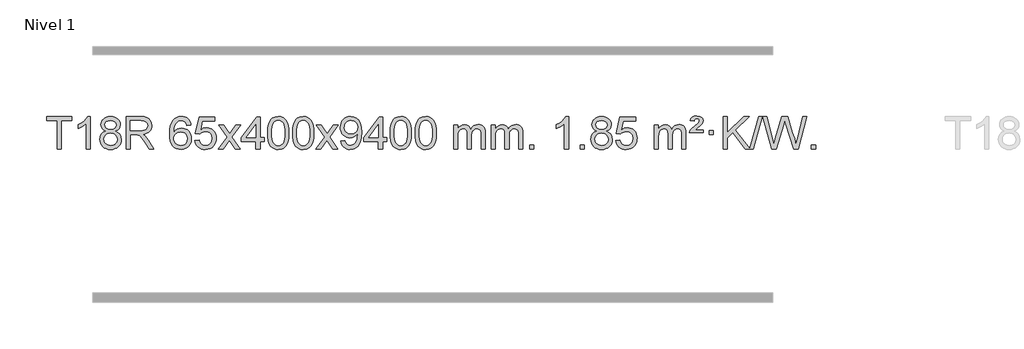
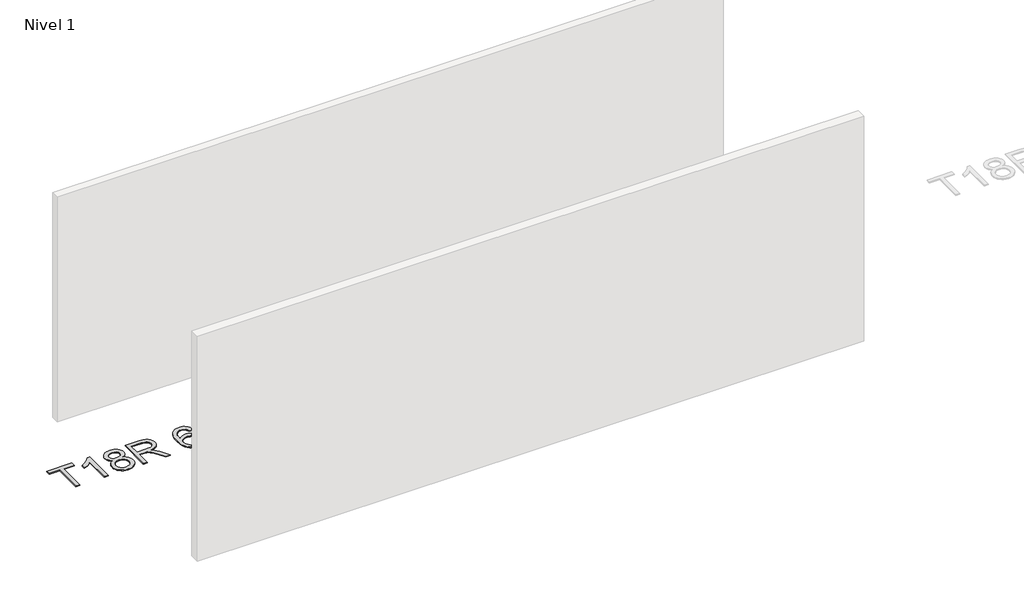
# One storey, part 2 of 7: 1 proxy.
"""IFC4 building model written with IfcOpenShell, lengths in millimetres."""

from ifc_helpers import new_model, si_unit, origin, origin_with_axes, place, context, project, spatial, polyline, outline, extrude, element, save

model = new_model("IFC4")

# Units and contexts
model_context = context("Model", 3, world=origin())
ifc_project = project(units=[si_unit("LENGTHUNIT", "METRE", prefix="MILLI")], contexts=[model_context])

# Site, building, storey
site = spatial("IfcSite", under=ifc_project)
building = spatial("IfcBuilding", under=site)
storey = spatial("IfcBuildingStorey", under=building, Name="Nivel 1", Elevation=0.0)

# Proxy
placement = place(None, origin())
element("IfcBuildingElementProxy", 1, Name="Texto de modelo 1", ObjectType="Texto de modelo 1", at=placement, inside=storey, context=model_context, shape_type="SweptSolid", body=[
    extrude(outline(polyline([(-26017.2438234, 5712.420547), (-26017.2438234, 6064.0176325), (-26149.0927304, 6064.0176325), (-26149.0927304, 6114.2457876), (-25835.1667612, 6114.2457876), (-25835.1667612, 6064.0176325), (-25967.0156683, 6064.0176325), (-25967.0156683, 5712.420547), (-26017.2438234, 5712.420547)])), origin_with_axes(), (0.0, 0.0, 1.0), 10.0),
    extrude(outline(polyline([(-25609.1400634, 5712.420547), (-25659.3682185, 5712.420547), (-25659.3682185, 6025.5617013), (-25680.3374922, 6008.6023413), (-25706.9476232, 5991.6675068), (-25759.8245286, 5966.3081746), (-25759.8245286, 6013.7894775), (-25720.375316, 6035.2492605), (-25686.1990786, 6060.780271), (-25659.2578539, 6087.9299622), (-25641.513679, 6114.2457876), (-25609.1400634, 6114.2457876), (-25609.1400634, 5712.420547)])), origin_with_axes(), (0.0, 0.0, 1.0), 10.0),
    extrude(outline(polyline([(-25416.6642035, 5933.7383553), (-25443.5563773, 5946.9821071), (-25462.4287237, 5964.9347485), (-25473.5755482, 5987.2283974), (-25477.2911563, 6013.4951719), (-25475.2678053, 6033.9800676), (-25469.1977524, 6052.7604435), (-25459.0809975, 6069.8362994), (-25444.9175407, 6085.2076355), (-25427.3879637, 6097.911827), (-25407.172848, 6106.9862496), (-25384.2721938, 6112.4309031), (-25358.6860011, 6114.2457876), (-25332.977181, 6112.3879835), (-25309.9048485, 6106.8145713), (-25289.4690037, 6097.5255509), (-25271.6696465, 6084.5209224), (-25257.2486723, 6068.8491494), (-25246.9479764, 6051.5586956), (-25240.7675589, 6032.6495611), (-25238.7074197, 6012.1217457), (-25242.3739769, 5986.7010999), (-25253.3736486, 5964.7875957), (-25271.829062, 5946.9453189), (-25297.8628445, 5933.7383553), (-25266.9484942, 5917.8090649), (-25244.4463788, 5894.3504564), (-25230.7243804, 5864.4907011), (-25226.1503809, 5829.3579705), (-25228.4189866, 5804.3052067), (-25235.2248035, 5781.3371074), (-25246.5678317, 5760.4536728), (-25262.4480711, 5741.6549029), (-25282.031656, 5726.11802), (-25304.4847204, 5715.0202464), (-25329.8072644, 5708.3615823), (-25357.999288, 5706.1420276), (-25386.1913116, 5708.3707794), (-25411.5138556, 5715.0570346), (-25433.96692, 5726.2007934), (-25453.5505049, 5741.8020557), (-25469.4307443, 5760.73265), (-25480.7737725, 5781.864405), (-25487.5795894, 5805.1973205), (-25489.8481951, 5830.7313967), (-25485.0902546, 5867.2252906), (-25470.8164332, 5897.2444614), (-25447.7624948, 5919.7588395), (-25416.6642035, 5933.7383553)]), holes=[polyline([(-25427.0630012, 6012.0236439), (-25422.6116291, 5990.097877), (-25409.2575127, 5972.586694), (-25387.3930594, 5961.1087757), (-25357.4106768, 5957.282803), (-25328.12727, 5961.0842503), (-25306.5939105, 5972.4885921), (-25293.3501587, 5989.4111639), (-25288.9355748, 6009.767301), (-25293.4973115, 6030.8959902), (-25307.1825217, 6048.370385), (-25329.0101868, 6060.1058206), (-25357.999288, 6064.0176325), (-25387.1723302, 6060.1916598), (-25408.9632071, 6048.7137415), (-25422.5380527, 6031.8892716), (-25427.0630012, 6012.0236439)]), polyline([(-25439.62004, 5832.4972302), (-25437.5231126, 5813.2815274), (-25431.2323305, 5794.6789611), (-25419.6195222, 5778.4553651), (-25401.5565162, 5766.376573), (-25379.9250549, 5758.8717803), (-25357.6068805, 5756.3701827), (-25323.4183805, 5761.6308952), (-25309.5247038, 5768.2067859), (-25297.7647427, 5777.4130328), (-25281.7250877, 5801.3130998), (-25276.378536, 5830.9276004), (-25281.8967659, 5861.0448731), (-25298.4514557, 5885.4722375), (-25310.5302479, 5894.9145421), (-25324.6937047, 5901.6590453), (-25359.2746123, 5907.0546479), (-25392.9848657, 5901.7326217), (-25406.7221926, 5895.080089), (-25418.3809861, 5885.7665431), (-25434.3102765, 5861.8051625), (-25439.62004, 5832.4972302)])]), origin_with_axes(), (0.0, 0.0, 1.0), 10.0),
    extrude(outline(polyline([(-25163.3651871, 5712.420547), (-25163.3651871, 6114.2457876), (-24990.2153947, 6114.2457876), (-24943.6783223, 6111.5357236), (-24909.820916, 6103.4055315), (-24885.0747205, 6088.3959461), (-24865.8712803, 6065.0477021), (-24853.5472335, 6036.0953891), (-24849.4392179, 6004.2735965), (-24851.1406721, 5983.6354166), (-24856.2450348, 5964.6894938), (-24864.7523059, 5947.4358283), (-24876.6624855, 5931.8744199), (-24892.1288577, 5918.5019093), (-24911.3047067, 5907.8149374), (-24934.1900325, 5899.813504), (-24960.7848351, 5894.4976092), (-24932.2371923, 5873.0133006), (-24891.5249181, 5821.3136176), (-24824.5213441, 5712.420547), (-24882.891954, 5712.420547), (-24935.1802482, 5795.7090307), (-24972.9494664, 5850.8422791), (-24986.9902959, 5866.9187222), (-24999.486021, 5876.8883243), (-25023.3738252, 5886.4532562), (-25052.5100792, 5888.2190898), (-25113.137032, 5888.2190898), (-25113.137032, 5712.420547), (-25163.3651871, 5712.420547)]), holes=[polyline([(-25113.137032, 5938.4472448), (-25000.7122943, 5938.4472448), (-24968.4245178, 5940.2253412), (-24943.371754, 5945.5596301), (-24924.5116704, 5954.8057309), (-24910.8019347, 5968.3192629), (-24902.4510134, 5984.6654862), (-24899.6673729, 6002.4096611), (-24904.9771364, 6026.910602), (-24920.9064268, 6046.6536024), (-24933.0679924, 6054.2503656), (-24948.3136354, 6059.676625), (-24988.0571537, 6064.0176325), (-25113.137032, 6064.0176325), (-25113.137032, 5938.4472448)])]), origin_with_axes(), (0.0, 0.0, 1.0), 10.0),
    extrude(outline(polyline([(-24365.9932253, 6007.5109581), (-24416.2213804, 6001.2324387), (-24424.3147842, 6026.125787), (-24435.2531422, 6043.1219352), (-24458.0373005, 6058.7937082), (-24485.5793992, 6064.0176325), (-24508.9276431, 6060.9764747), (-24530.902461, 6051.8530012), (-24549.7748073, 6032.6372983), (-24565.1890629, 6006.1865829), (-24575.6001234, 5968.772984), (-24579.4628843, 5916.6686307), (-24559.3152137, 5940.1762902), (-24535.1698921, 5956.7432427), (-24508.3758201, 5966.565692), (-24480.2818984, 5969.8398418), (-24456.1488396, 5967.601893), (-24433.8797161, 5960.8880466), (-24413.4745281, 5949.6983025), (-24394.9332756, 5934.0326609), (-24379.5251513, 5914.8230894), (-24368.5193483, 5893.0015557), (-24361.9158665, 5868.5680599), (-24359.7147059, 5841.5226018), (-24363.8595097, 5805.5560055), (-24376.2939211, 5772.213634), (-24395.9878706, 5743.9357713), (-24421.9112885, 5723.1627013), (-24452.8869525, 5710.397196), (-24487.7376402, 5706.1420276), (-24517.6801689, 5708.9624563), (-24544.7225613, 5717.4237421), (-24568.8648172, 5731.5258853), (-24590.1069367, 5751.2688857), (-24607.4249817, 5777.4866092), (-24619.7950137, 5811.0129217), (-24627.217033, 5851.8478232), (-24629.6910394, 5899.9913136), (-24626.9441872, 5953.9657337), (-24618.7036305, 6000.0306908), (-24604.9693693, 6038.1861851), (-24585.7414037, 6068.4322165), (-24564.9008887, 6088.4756538), (-24540.737173, 6102.7923948), (-24513.2502566, 6111.3824394), (-24482.4401395, 6114.2457876), (-24459.3064934, 6112.4738227), (-24438.3678765, 6107.1579278), (-24419.6242888, 6098.2981031), (-24403.0757304, 6085.8943485), (-24389.169791, 6070.3635969), (-24378.3540603, 6052.1227814), (-24370.6285384, 6031.1719017), (-24365.9932253, 6007.5109581)]), holes=[polyline([(-24579.4628843, 5842.3074168), (-24576.5566166, 5820.0505561), (-24567.8378133, 5798.7992395), (-24554.2997559, 5780.527767), (-24536.9357257, 5767.2104388), (-24515.9787147, 5759.0802467), (-24491.6617148, 5756.3701827), (-24458.5155471, 5761.9865145), (-24444.6004106, 5769.0069292), (-24432.4572391, 5778.8355099), (-24422.6071987, 5791.0737176), (-24415.5714555, 5805.3230135), (-24409.942861, 5839.8548701), (-24415.4978791, 5873.0010379), (-24422.4416518, 5886.6218688), (-24432.1629335, 5898.274531), (-24444.3428932, 5907.6095366), (-24458.6626999, 5914.2773978), (-24493.721854, 5919.6116867), (-24526.8189708, 5914.2773978), (-24554.4959596, 5898.274531), (-24565.4189892, 5886.7751529), (-24573.2211532, 5873.6141746), (-24577.9024515, 5858.7915958), (-24579.4628843, 5842.3074168)])]), origin_with_axes(), (0.0, 0.0, 1.0), 10.0),
    extrude(outline(polyline([(-24315.7650702, 5819.1553765), (-24265.5369151, 5825.4338959), (-24256.3153398, 5795.2798351), (-24240.2266339, 5773.6851619), (-24217.3443738, 5760.6989275), (-24187.7421359, 5756.3701827), (-24168.6122721, 5757.8754332), (-24151.7387513, 5762.3911847), (-24137.1215733, 5769.9174372), (-24124.7607383, 5780.4541906), (-24114.9321577, 5793.480279), (-24107.9117429, 5808.4745359), (-24102.2954111, 5844.3675559), (-24107.5561237, 5878.1636486), (-24114.1320143, 5892.0818507), (-24123.3382613, 5904.0134901), (-24135.2055213, 5913.5845533), (-24149.7644512, 5920.4210271), (-24186.957321, 5925.8902061), (-24211.3233718, 5923.7074396), (-24231.0541094, 5917.1591401), (-24246.8117216, 5907.1282243), (-24259.2583957, 5894.4976092), (-24309.4865508, 5900.7761285), (-24265.5369151, 6107.9672682), (-24070.9028142, 6107.9672682), (-24070.9028142, 6057.7391131), (-24224.9227429, 6057.7391131), (-24246.4070514, 5947.080209), (-24228.6812706, 5959.7844006), (-24210.5262941, 5968.8588231), (-24191.942122, 5974.3034766), (-24172.9287542, 5976.1183612), (-24148.4676672, 5973.8681496), (-24125.9992744, 5967.117515), (-24105.5235756, 5955.8664573), (-24087.0405711, 5940.1149766), (-24071.7397458, 5920.8256973), (-24060.8105848, 5898.961244), (-24054.2530882, 5874.5216168), (-24052.0672561, 5847.5068156), (-24054.0354247, 5821.4852958), (-24059.9399308, 5797.2786606), (-24069.7807741, 5774.8869098), (-24083.5579548, 5754.3100435), (-24104.4291267, 5733.2365366), (-24128.7829148, 5718.1840316), (-24156.6193191, 5709.1525286), (-24187.9383396, 5706.1420276), (-24213.8586919, 5708.0764738), (-24237.2713152, 5713.8798123), (-24258.1762095, 5723.552043), (-24276.573375, 5737.0931662), (-24291.8803317, 5753.8287312), (-24303.5145998, 5773.084288), (-24311.4761793, 5794.8598364), (-24315.7650702, 5819.1553765)])), origin_with_axes(), (0.0, 0.0, 1.0), 10.0),
    extrude(outline(polyline([(-24026.9531785, 5712.420547), (-23919.6297378, 5860.7505675), (-24020.6746591, 6007.5109581), (-23960.2439101, 6007.5109581), (-23911.487283, 5936.877615), (-23888.7276502, 5903.5229808), (-23869.0091753, 5930.7952993), (-23813.4835195, 6007.5109581), (-23753.0527704, 6007.5109581), (-23859.1989887, 5860.7505675), (-23756.976845, 5712.420547), (-23817.4075941, 5712.420547), (-23878.9174637, 5801.5951426), (-23890.1991782, 5817.8800523), (-23966.5224294, 5712.420547), (-24026.9531785, 5712.420547)])), origin_with_axes(), (0.0, 0.0, 1.0), 10.0),
    extrude(outline(polyline([(-23562.3427441, 5712.420547), (-23562.3427441, 5806.5983378), (-23744.4198062, 5806.5983378), (-23744.4198062, 5856.8264928), (-23549.7857053, 6107.9672682), (-23512.114589, 6107.9672682), (-23512.114589, 5856.8264928), (-23461.8864339, 5856.8264928), (-23461.8864339, 5806.5983378), (-23512.114589, 5806.5983378), (-23512.114589, 5712.420547), (-23562.3427441, 5712.420547)]), holes=[polyline([(-23562.3427441, 5856.8264928), (-23562.3427441, 6012.0236439), (-23682.615631, 5856.8264928), (-23562.3427441, 5856.8264928)])]), origin_with_axes(), (0.0, 0.0, 1.0), 10.0),
    extrude(outline(polyline([(-23417.9367982, 5910.0958057), (-23414.2457156, 5974.4138412), (-23403.1724675, 6025.7088541), (-23384.8274187, 6064.7656593), (-23372.9693557, 6079.9990395), (-23359.3209337, 6092.3690716), (-23343.8361674, 6101.9401349), (-23326.4690715, 6108.7766086), (-23286.0878912, 6114.2457876), (-23255.1367526, 6111.008426), (-23227.4229757, 6101.2963414), (-23204.24641, 6085.4896783), (-23186.9069053, 6063.9685816), (-23173.8103062, 6036.9169922), (-23163.3624576, 6004.5188512), (-23156.5198525, 5963.3773814), (-23154.2389841, 5910.0958057), (-23157.8932786, 5846.1456523), (-23168.856162, 5794.9732667), (-23187.0908463, 5755.8796734), (-23198.9213181, 5740.6003078), (-23212.5605431, 5728.1658964), (-23228.0637035, 5718.5304538), (-23245.4859816, 5711.6479948), (-23286.0878912, 5706.1420276), (-23313.7526172, 5708.5332606), (-23338.2780835, 5715.7069595), (-23359.6642902, 5727.6631243), (-23377.9112372, 5744.4017551), (-23395.4224201, 5774.6600492), (-23407.930408, 5812.3618224), (-23415.4352007, 5857.5070745), (-23417.9367982, 5910.0958057)]), holes=[polyline([(-23367.7086432, 5910.1939076), (-23366.2371152, 5866.5293805), (-23361.8225312, 5831.1851178), (-23354.4648913, 5804.1611196), (-23344.1641955, 5785.4573858), (-23331.7052586, 5772.7317344), (-23317.8728956, 5763.6419835), (-23302.6671064, 5758.1881329), (-23286.0878912, 5756.3701827), (-23269.5086759, 5758.1942643), (-23254.3028868, 5763.6665089), (-23240.4705238, 5772.7869167), (-23228.0115869, 5785.5554876), (-23217.710891, 5804.2898783), (-23210.3532511, 5831.3077451), (-23205.9386672, 5866.6090882), (-23204.4671392, 5910.1939076), (-23205.8896162, 5952.7026722), (-23210.1570474, 5987.4246011), (-23217.2694326, 6014.3596945), (-23227.2267719, 6033.5079524), (-23239.4772424, 6046.8559375), (-23253.4690209, 6056.3902125), (-23269.2021076, 6062.1107775), (-23286.6765024, 6064.0176325), (-23303.1698785, 6062.3376381), (-23318.1181502, 6057.2976548), (-23331.5213176, 6048.8976825), (-23343.3793805, 6037.1377214), (-23354.0234329, 6016.291075), (-23361.6263275, 5988.1848906), (-23366.1880643, 5952.8191681), (-23367.7086432, 5910.1939076)])]), origin_with_axes(), (0.0, 0.0, 1.0), 10.0),
    extrude(outline(polyline([(-23110.2893484, 5910.0958057), (-23106.5982657, 5974.4138412), (-23095.5250177, 6025.7088541), (-23077.1799688, 6064.7656593), (-23065.3219059, 6079.9990395), (-23051.6734838, 6092.3690716), (-23036.1887175, 6101.9401349), (-23018.8216217, 6108.7766086), (-22978.4404413, 6114.2457876), (-22947.4893028, 6111.008426), (-22919.7755258, 6101.2963414), (-22896.5989601, 6085.4896783), (-22879.2594554, 6063.9685816), (-22866.1628564, 6036.9169922), (-22855.7150077, 6004.5188512), (-22848.8724026, 5963.3773814), (-22846.5915343, 5910.0958057), (-22850.2458287, 5846.1456523), (-22861.2087122, 5794.9732667), (-22879.4433964, 5755.8796734), (-22891.2738683, 5740.6003078), (-22904.9130932, 5728.1658964), (-22920.4162536, 5718.5304538), (-22937.8385318, 5711.6479948), (-22978.4404413, 5706.1420276), (-23006.1051674, 5708.5332606), (-23030.6306337, 5715.7069595), (-23052.0168404, 5727.6631243), (-23070.2637873, 5744.4017551), (-23087.7749703, 5774.6600492), (-23100.2829581, 5812.3618224), (-23107.7877508, 5857.5070745), (-23110.2893484, 5910.0958057)]), holes=[polyline([(-23060.0611933, 5910.1939076), (-23058.5896654, 5866.5293805), (-23054.1750814, 5831.1851178), (-23046.8174415, 5804.1611196), (-23036.5167456, 5785.4573858), (-23024.0578087, 5772.7317344), (-23010.2254457, 5763.6419835), (-22995.0196566, 5758.1881329), (-22978.4404413, 5756.3701827), (-22961.8612261, 5758.1942643), (-22946.655437, 5763.6665089), (-22932.8230739, 5772.7869167), (-22920.364137, 5785.5554876), (-22910.0634412, 5804.2898783), (-22902.7058013, 5831.3077451), (-22898.2912173, 5866.6090882), (-22896.8196893, 5910.1939076), (-22898.2421664, 5952.7026722), (-22902.5095975, 5987.4246011), (-22909.6219828, 6014.3596945), (-22919.5793221, 6033.5079524), (-22931.8297925, 6046.8559375), (-22945.8215711, 6056.3902125), (-22961.5546578, 6062.1107775), (-22979.0290525, 6064.0176325), (-22995.5224286, 6062.3376381), (-23010.4707004, 6057.2976548), (-23023.8738677, 6048.8976825), (-23035.7319307, 6037.1377214), (-23046.3759831, 6016.291075), (-23053.9788777, 5988.1848906), (-23058.5406144, 5952.8191681), (-23060.0611933, 5910.1939076)])]), origin_with_axes(), (0.0, 0.0, 1.0), 10.0),
    extrude(outline(polyline([(-22821.4774567, 5712.420547), (-22714.154016, 5860.7505675), (-22815.1989373, 6007.5109581), (-22754.7681883, 6007.5109581), (-22706.0115612, 5936.877615), (-22683.2519284, 5903.5229808), (-22663.5334535, 5930.7952993), (-22608.0077977, 6007.5109581), (-22547.5770486, 6007.5109581), (-22653.7232669, 5860.7505675), (-22551.5011232, 5712.420547), (-22611.9318723, 5712.420547), (-22673.4417419, 5801.5951426), (-22684.7234564, 5817.8800523), (-22761.0467077, 5712.420547), (-22821.4774567, 5712.420547)])), origin_with_axes(), (0.0, 0.0, 1.0), 10.0),
    extrude(outline(polyline([(-22513.8300069, 5812.8768572), (-22463.6018518, 5819.1553765), (-22455.0179386, 5790.6445219), (-22441.0384228, 5771.2326153), (-22422.0066609, 5760.0857908), (-22398.2660095, 5756.3701827), (-22376.965642, 5758.7614157), (-22357.6027863, 5765.9351146), (-22341.5140804, 5777.1064645), (-22330.0361621, 5791.4906505), (-22313.6040997, 5835.1459806), (-22308.1594461, 5863.5464706), (-22306.3445616, 5893.4184886), (-22306.6388672, 5903.2286752), (-22324.0396856, 5881.9896213), (-22346.8115811, 5865.1651514), (-22373.3113475, 5854.2022679), (-22401.8957785, 5850.5479735), (-22425.7559916, 5852.7797909), (-22447.6970869, 5859.4752432), (-22467.7190645, 5870.6343304), (-22485.8219243, 5886.2570525), (-22500.8223127, 5905.5279376), (-22511.5368758, 5927.6315142), (-22517.9656137, 5952.5677821), (-22520.1085263, 5980.3367414), (-22517.8613804, 6009.031537), (-22511.1199429, 6034.7832766), (-22499.8842136, 6057.5919603), (-22484.1541926, 6077.4575881), (-22465.0396573, 6093.5524254), (-22443.6503849, 6105.0487377), (-22419.9863756, 6111.9465251), (-22394.0476293, 6114.2457876), (-22356.5849794, 6108.9973378), (-22322.4823185, 6093.2519884), (-22293.9592011, 6067.7945543), (-22273.235182, 6033.4098505), (-22260.6168296, 5985.8794968), (-22256.4107121, 5920.9851128), (-22260.6045669, 5852.178917), (-22273.1861311, 5798.9954432), (-22294.0450402, 5759.0311958), (-22307.5371124, 5743.1049711), (-22323.0709297, 5729.882679), (-22340.3337923, 5719.496144), (-22359.0130006, 5712.0771905), (-22400.6204542, 5706.1420276), (-22423.1777519, 5707.8925328), (-22443.5645458, 5713.1440483), (-22461.7808359, 5721.8965741), (-22477.8266223, 5734.1501102), (-22491.2972347, 5749.5735628), (-22501.7880029, 5767.8358382), (-22509.298927, 5788.9369363), (-22513.8300069, 5812.8768572)]), holes=[polyline([(-22306.6388672, 5981.5139637), (-22312.0589953, 6015.555311), (-22318.8341553, 6029.6329287), (-22328.3193795, 6041.7485091), (-22340.0486837, 6051.4912506), (-22353.5560843, 6058.4503517), (-22385.9051744, 6064.0176325), (-22403.5144593, 6062.5185134), (-22419.4560124, 6058.021156), (-22433.7298338, 6050.5255604), (-22446.3359235, 6040.0317264), (-22456.6366194, 6027.1527909), (-22463.9942593, 6012.5018905), (-22468.4088432, 5996.0790251), (-22469.8803712, 5977.8841947), (-22464.3130903, 5946.8472171), (-22457.3539893, 5933.7291583), (-22447.6112478, 5922.2113861), (-22435.489536, 5912.8334609), (-22421.3935242, 5906.1349429), (-22387.2786006, 5900.7761285), (-22355.1870278, 5906.1349429), (-22329.349449, 5922.2113861), (-22319.4135695, 5933.9560188), (-22312.3165127, 5947.7546593), (-22306.6388672, 5981.5139637)])]), origin_with_axes(), (0.0, 0.0, 1.0), 10.0),
    extrude(outline(polyline([(-22049.2195725, 5712.420547), (-22049.2195725, 5806.5983378), (-22231.2966346, 5806.5983378), (-22231.2966346, 5856.8264928), (-22036.6625337, 6107.9672682), (-21998.9914174, 6107.9672682), (-21998.9914174, 5856.8264928), (-21948.7632623, 5856.8264928), (-21948.7632623, 5806.5983378), (-21998.9914174, 5806.5983378), (-21998.9914174, 5712.420547), (-22049.2195725, 5712.420547)]), holes=[polyline([(-22049.2195725, 5856.8264928), (-22049.2195725, 6012.0236439), (-22169.4924594, 5856.8264928), (-22049.2195725, 5856.8264928)])]), origin_with_axes(), (0.0, 0.0, 1.0), 10.0),
    extrude(outline(polyline([(-21904.8136266, 5910.0958057), (-21901.1225439, 5974.4138412), (-21890.0492959, 6025.7088541), (-21871.704247, 6064.7656593), (-21859.8461841, 6079.9990395), (-21846.197762, 6092.3690716), (-21830.7129957, 6101.9401349), (-21813.3458999, 6108.7766086), (-21772.9647195, 6114.2457876), (-21742.013581, 6111.008426), (-21714.299804, 6101.2963414), (-21691.1232383, 6085.4896783), (-21673.7837336, 6063.9685816), (-21660.6871346, 6036.9169922), (-21650.2392859, 6004.5188512), (-21643.3966808, 5963.3773814), (-21641.1158125, 5910.0958057), (-21644.770107, 5846.1456523), (-21655.7329904, 5794.9732667), (-21673.9676746, 5755.8796734), (-21685.7981465, 5740.6003078), (-21699.4373714, 5728.1658964), (-21714.9405318, 5718.5304538), (-21732.36281, 5711.6479948), (-21772.9647195, 5706.1420276), (-21800.6294456, 5708.5332606), (-21825.1549119, 5715.7069595), (-21846.5411186, 5727.6631243), (-21864.7880655, 5744.4017551), (-21882.2992485, 5774.6600492), (-21894.8072363, 5812.3618224), (-21902.312029, 5857.5070745), (-21904.8136266, 5910.0958057)]), holes=[polyline([(-21854.5854715, 5910.1939076), (-21853.1139436, 5866.5293805), (-21848.6993596, 5831.1851178), (-21841.3417197, 5804.1611196), (-21831.0410238, 5785.4573858), (-21818.5820869, 5772.7317344), (-21804.7497239, 5763.6419835), (-21789.5439348, 5758.1881329), (-21772.9647195, 5756.3701827), (-21756.3855043, 5758.1942643), (-21741.1797152, 5763.6665089), (-21727.3473521, 5772.7869167), (-21714.8884152, 5785.5554876), (-21704.5877194, 5804.2898783), (-21697.2300795, 5831.3077451), (-21692.8154955, 5866.6090882), (-21691.3439675, 5910.1939076), (-21692.7664446, 5952.7026722), (-21697.0338757, 5987.4246011), (-21704.146261, 6014.3596945), (-21714.1036003, 6033.5079524), (-21726.3540707, 6046.8559375), (-21740.3458493, 6056.3902125), (-21756.078936, 6062.1107775), (-21773.5533307, 6064.0176325), (-21790.0467068, 6062.3376381), (-21804.9949786, 6057.2976548), (-21818.3981459, 6048.8976825), (-21830.2562089, 6037.1377214), (-21840.9002613, 6016.291075), (-21848.5031559, 5988.1848906), (-21853.0648926, 5952.8191681), (-21854.5854715, 5910.1939076)])]), origin_with_axes(), (0.0, 0.0, 1.0), 10.0),
    extrude(outline(polyline([(-21597.1661768, 5910.0958057), (-21593.4750941, 5974.4138412), (-21582.401846, 6025.7088541), (-21564.0567972, 6064.7656593), (-21552.1987342, 6079.9990395), (-21538.5503122, 6092.3690716), (-21523.0655459, 6101.9401349), (-21505.69845, 6108.7766086), (-21465.3172697, 6114.2457876), (-21434.3661312, 6111.008426), (-21406.6523542, 6101.2963414), (-21383.4757885, 6085.4896783), (-21366.1362838, 6063.9685816), (-21353.0396848, 6036.9169922), (-21342.5918361, 6004.5188512), (-21335.749231, 5963.3773814), (-21333.4683626, 5910.0958057), (-21337.1226571, 5846.1456523), (-21348.0855406, 5794.9732667), (-21366.3202248, 5755.8796734), (-21378.1506966, 5740.6003078), (-21391.7899216, 5728.1658964), (-21407.293082, 5718.5304538), (-21424.7153602, 5711.6479948), (-21465.3172697, 5706.1420276), (-21492.9819957, 5708.5332606), (-21517.5074621, 5715.7069595), (-21538.8936687, 5727.6631243), (-21557.1406157, 5744.4017551), (-21574.6517987, 5774.6600492), (-21587.1597865, 5812.3618224), (-21594.6645792, 5857.5070745), (-21597.1661768, 5910.0958057)]), holes=[polyline([(-21546.9380217, 5910.1939076), (-21545.4664937, 5866.5293805), (-21541.0519098, 5831.1851178), (-21533.6942699, 5804.1611196), (-21523.393574, 5785.4573858), (-21510.9346371, 5772.7317344), (-21497.1022741, 5763.6419835), (-21481.896485, 5758.1881329), (-21465.3172697, 5756.3701827), (-21448.7380545, 5758.1942643), (-21433.5322653, 5763.6665089), (-21419.6999023, 5772.7869167), (-21407.2409654, 5785.5554876), (-21396.9402695, 5804.2898783), (-21389.5826296, 5831.3077451), (-21385.1680457, 5866.6090882), (-21383.6965177, 5910.1939076), (-21385.1189948, 5952.7026722), (-21389.3864259, 5987.4246011), (-21396.4988111, 6014.3596945), (-21406.4561505, 6033.5079524), (-21418.7066209, 6046.8559375), (-21432.6983995, 6056.3902125), (-21448.4314861, 6062.1107775), (-21465.9058809, 6064.0176325), (-21482.399257, 6062.3376381), (-21497.3475288, 6057.2976548), (-21510.7506961, 6048.8976825), (-21522.6087591, 6037.1377214), (-21533.2528115, 6016.291075), (-21540.855706, 5988.1848906), (-21545.4174428, 5952.8191681), (-21546.9380217, 5910.1939076)])]), origin_with_axes(), (0.0, 0.0, 1.0), 10.0),
    extrude(outline(polyline([(-21119.9987036, 5712.420547), (-21119.9987036, 6007.5109581), (-21069.7705485, 6007.5109581), (-21069.7705485, 5958.9505347), (-21054.6628612, 5981.2564463), (-21035.2386919, 5998.7308411), (-21012.160228, 6010.0248184), (-20986.0896573, 6013.7894775), (-20958.1551512, 6009.951242), (-20935.7634004, 5998.4365355), (-20919.0370323, 5980.0056476), (-20908.0986743, 5955.4188676), (-20889.7904137, 5980.9560094), (-20868.9069791, 5999.196825), (-20845.4483706, 6010.1413143), (-20819.414588, 6013.7894775), (-20799.3067713, 6012.2719642), (-20781.6576326, 6007.7194245), (-20766.4671719, 6000.1318584), (-20753.7353892, 5989.5092658), (-20743.6707509, 5975.7290194), (-20736.4817236, 5958.6684918), (-20732.1683072, 5938.3276832), (-20730.7305017, 5914.7065934), (-20730.7305017, 5712.420547), (-20780.9586568, 5712.420547), (-20780.9586568, 5893.124183), (-20782.1236165, 5918.1769469), (-20785.6184954, 5935.0627305), (-20792.1667949, 5946.6264879), (-20802.4920163, 5955.7131732), (-20815.7725563, 5961.5992851), (-20831.1868119, 5963.5613224), (-20858.3978168, 5958.5336018), (-20880.5811011, 5943.45044), (-20889.1864741, 5931.8805512), (-20895.3331691, 5917.2817674), (-20900.2505251, 5878.9975144), (-20900.2505251, 5712.420547), (-20950.4786802, 5712.420547), (-20950.4786802, 5898.7159894), (-20953.384948, 5927.1164794), (-20962.1037512, 5947.3745146), (-20977.4444304, 5959.5146204), (-21000.2163259, 5963.5613224), (-21019.5669189, 5960.8635211), (-21037.3969329, 5952.7701172), (-21052.1122127, 5939.4773144), (-21062.118603, 5921.1813165), (-21067.8575621, 5895.7974589), (-21069.7705485, 5861.2410768), (-21069.7705485, 5712.420547), (-21119.9987036, 5712.420547)])), origin_with_axes(), (0.0, 0.0, 1.0), 10.0),
    extrude(outline(polyline([(-20655.3882691, 5712.420547), (-20655.3882691, 6007.5109581), (-20605.160114, 6007.5109581), (-20605.160114, 5958.9505347), (-20590.0524268, 5981.2564463), (-20570.6282574, 5998.7308411), (-20547.5497936, 6010.0248184), (-20521.4792229, 6013.7894775), (-20493.5447167, 6009.951242), (-20471.1529659, 5998.4365355), (-20454.4265979, 5980.0056476), (-20443.4882399, 5955.4188676), (-20425.1799793, 5980.9560094), (-20404.2965447, 5999.196825), (-20380.8379361, 6010.1413143), (-20354.8041536, 6013.7894775), (-20334.6963369, 6012.2719642), (-20317.0471982, 6007.7194245), (-20301.8567374, 6000.1318584), (-20289.1249547, 5989.5092658), (-20279.0603165, 5975.7290194), (-20271.8712892, 5958.6684918), (-20267.5578728, 5938.3276832), (-20266.1200673, 5914.7065934), (-20266.1200673, 5712.420547), (-20316.3482224, 5712.420547), (-20316.3482224, 5893.124183), (-20317.513182, 5918.1769469), (-20321.008061, 5935.0627305), (-20327.5563605, 5946.6264879), (-20337.8815818, 5955.7131732), (-20351.1621218, 5961.5992851), (-20366.5763774, 5963.5613224), (-20393.7873824, 5958.5336018), (-20415.9706667, 5943.45044), (-20424.5760397, 5931.8805512), (-20430.7227347, 5917.2817674), (-20435.6400907, 5878.9975144), (-20435.6400907, 5712.420547), (-20485.8682457, 5712.420547), (-20485.8682457, 5898.7159894), (-20488.7745135, 5927.1164794), (-20497.4933168, 5947.3745146), (-20512.833996, 5959.5146204), (-20535.6058915, 5963.5613224), (-20554.9564844, 5960.8635211), (-20572.7864985, 5952.7701172), (-20587.5017783, 5939.4773144), (-20597.5081685, 5921.1813165), (-20603.2471277, 5895.7974589), (-20605.160114, 5861.2410768), (-20605.160114, 5712.420547), (-20655.3882691, 5712.420547)])), origin_with_axes(), (0.0, 0.0, 1.0), 10.0),
    extrude(outline(polyline([(-20178.2207959, 5712.420547), (-20178.2207959, 5762.6487021), (-20127.9926408, 5762.6487021), (-20127.9926408, 5712.420547), (-20178.2207959, 5712.420547)])), origin_with_axes(), (0.0, 0.0, 1.0), 10.0),
    extrude(outline(polyline([(-19701.0533227, 5712.420547), (-19751.2814778, 5712.420547), (-19751.2814778, 6025.5617013), (-19772.2507515, 6008.6023413), (-19798.8608825, 5991.6675068), (-19851.7377879, 5966.3081746), (-19851.7377879, 6013.7894775), (-19812.2885753, 6035.2492605), (-19778.112338, 6060.780271), (-19751.1711132, 6087.9299622), (-19733.4269383, 6114.2457876), (-19701.0533227, 6114.2457876), (-19701.0533227, 5712.420547)])), origin_with_axes(), (0.0, 0.0, 1.0), 10.0),
    extrude(outline(polyline([(-19556.6473769, 5712.420547), (-19556.6473769, 5762.6487021), (-19506.4192218, 5762.6487021), (-19506.4192218, 5712.420547), (-19556.6473769, 5712.420547)])), origin_with_axes(), (0.0, 0.0, 1.0), 10.0),
    extrude(outline(polyline([(-19351.6144782, 5933.7383553), (-19378.5066521, 5946.9821071), (-19397.3789984, 5964.9347485), (-19408.5258229, 5987.2283974), (-19412.241431, 6013.4951719), (-19410.21808, 6033.9800676), (-19404.1480271, 6052.7604435), (-19394.0312723, 6069.8362994), (-19379.8678154, 6085.2076355), (-19362.3382384, 6097.911827), (-19342.1231227, 6106.9862496), (-19319.2224685, 6112.4309031), (-19293.6362758, 6114.2457876), (-19267.9274557, 6112.3879835), (-19244.8551232, 6106.8145713), (-19224.4192784, 6097.5255509), (-19206.6199212, 6084.5209224), (-19192.198947, 6068.8491494), (-19181.8982511, 6051.5586956), (-19175.7178336, 6032.6495611), (-19173.6576944, 6012.1217457), (-19177.3242516, 5986.7010999), (-19188.3239233, 5964.7875957), (-19206.7793367, 5946.9453189), (-19232.8131192, 5933.7383553), (-19201.8987689, 5917.8090649), (-19179.3966535, 5894.3504564), (-19165.6746551, 5864.4907011), (-19161.1006556, 5829.3579705), (-19163.3692613, 5804.3052067), (-19170.1750782, 5781.3371074), (-19181.5181064, 5760.4536728), (-19197.3983458, 5741.6549029), (-19216.9819307, 5726.11802), (-19239.4349952, 5715.0202464), (-19264.7575392, 5708.3615823), (-19292.9495627, 5706.1420276), (-19321.1415863, 5708.3707794), (-19346.4641303, 5715.0570346), (-19368.9171947, 5726.2007934), (-19388.5007796, 5741.8020557), (-19404.3810191, 5760.73265), (-19415.7240472, 5781.864405), (-19422.5298642, 5805.1973205), (-19424.7984698, 5830.7313967), (-19420.0405293, 5867.2252906), (-19405.7667079, 5897.2444614), (-19382.7127695, 5919.7588395), (-19351.6144782, 5933.7383553)]), holes=[polyline([(-19362.0132759, 6012.0236439), (-19357.5619038, 5990.097877), (-19344.2077874, 5972.586694), (-19322.3433341, 5961.1087757), (-19292.3609515, 5957.282803), (-19263.0775447, 5961.0842503), (-19241.5441853, 5972.4885921), (-19228.3004334, 5989.4111639), (-19223.8858495, 6009.767301), (-19228.4475862, 6030.8959902), (-19242.1327965, 6048.370385), (-19263.9604615, 6060.1058206), (-19292.9495627, 6064.0176325), (-19322.1226049, 6060.1916598), (-19343.9134818, 6048.7137415), (-19357.4883274, 6031.8892716), (-19362.0132759, 6012.0236439)]), polyline([(-19374.5703147, 5832.4972302), (-19372.4733873, 5813.2815274), (-19366.1826052, 5794.6789611), (-19354.5697969, 5778.4553651), (-19336.5067909, 5766.376573), (-19314.8753296, 5758.8717803), (-19292.5571553, 5756.3701827), (-19258.3686552, 5761.6308952), (-19244.4749785, 5768.2067859), (-19232.7150174, 5777.4130328), (-19216.6753624, 5801.3130998), (-19211.3288107, 5830.9276004), (-19216.8470407, 5861.0448731), (-19233.4017304, 5885.4722375), (-19245.4805226, 5894.9145421), (-19259.6439794, 5901.6590453), (-19294.224887, 5907.0546479), (-19327.9351405, 5901.7326217), (-19341.6724673, 5895.080089), (-19353.3312609, 5885.7665431), (-19369.2605513, 5861.8051625), (-19374.5703147, 5832.4972302)])]), origin_with_axes(), (0.0, 0.0, 1.0), 10.0),
    extrude(outline(polyline([(-19117.15102, 5819.1553765), (-19066.9228649, 5825.4338959), (-19057.7012895, 5795.2798351), (-19041.6125836, 5773.6851619), (-19018.7303235, 5760.6989275), (-18989.1280856, 5756.3701827), (-18969.9982219, 5757.8754332), (-18953.124701, 5762.3911847), (-18938.5075231, 5769.9174372), (-18926.1466881, 5780.4541906), (-18916.3181074, 5793.480279), (-18909.2976927, 5808.4745359), (-18903.6813609, 5844.3675559), (-18908.9420734, 5878.1636486), (-18915.5179641, 5892.0818507), (-18924.724211, 5904.0134901), (-18936.591471, 5913.5845533), (-18951.150401, 5920.4210271), (-18988.3432707, 5925.8902061), (-19012.7093215, 5923.7074396), (-19032.4400592, 5917.1591401), (-19048.1976713, 5907.1282243), (-19060.6443455, 5894.4976092), (-19110.8725006, 5900.7761285), (-19066.9228649, 6107.9672682), (-18872.288764, 6107.9672682), (-18872.288764, 6057.7391131), (-19026.3086926, 6057.7391131), (-19047.7930011, 5947.080209), (-19030.0672203, 5959.7844006), (-19011.9122439, 5968.8588231), (-18993.3280717, 5974.3034766), (-18974.314704, 5976.1183612), (-18949.853617, 5973.8681496), (-18927.3852241, 5967.117515), (-18906.9095254, 5955.8664573), (-18888.4265208, 5940.1149766), (-18873.1256955, 5920.8256973), (-18862.1965346, 5898.961244), (-18855.639038, 5874.5216168), (-18853.4532058, 5847.5068156), (-18855.4213745, 5821.4852958), (-18861.3258805, 5797.2786606), (-18871.1667239, 5774.8869098), (-18884.9439046, 5754.3100435), (-18905.8150765, 5733.2365366), (-18930.1688645, 5718.1840316), (-18958.0052688, 5709.1525286), (-18989.3242894, 5706.1420276), (-19015.2446416, 5708.0764738), (-19038.6572649, 5713.8798123), (-19059.5621593, 5723.552043), (-19077.9593247, 5737.0931662), (-19093.2662814, 5753.8287312), (-19104.9005495, 5773.084288), (-19112.862129, 5794.8598364), (-19117.15102, 5819.1553765)])), origin_with_axes(), (0.0, 0.0, 1.0), 10.0),
    extrude(outline(polyline([(-18639.9835467, 5712.420547), (-18639.9835467, 6007.5109581), (-18589.7553917, 6007.5109581), (-18589.7553917, 5958.9505347), (-18574.6477044, 5981.2564463), (-18555.2235351, 5998.7308411), (-18532.1450712, 6010.0248184), (-18506.0745005, 6013.7894775), (-18478.1399943, 6009.951242), (-18455.7482436, 5998.4365355), (-18439.0218755, 5980.0056476), (-18428.0835175, 5955.4188676), (-18409.7752569, 5980.9560094), (-18388.8918223, 5999.196825), (-18365.4332137, 6010.1413143), (-18339.3994312, 6013.7894775), (-18319.2916145, 6012.2719642), (-18301.6424758, 6007.7194245), (-18286.4520151, 6000.1318584), (-18273.7202323, 5989.5092658), (-18263.6555941, 5975.7290194), (-18256.4665668, 5958.6684918), (-18252.1531504, 5938.3276832), (-18250.7153449, 5914.7065934), (-18250.7153449, 5712.420547), (-18300.9435, 5712.420547), (-18300.9435, 5893.124183), (-18302.1084596, 5918.1769469), (-18305.6033386, 5935.0627305), (-18312.1516381, 5946.6264879), (-18322.4768594, 5955.7131732), (-18335.7573995, 5961.5992851), (-18351.1716551, 5963.5613224), (-18378.38266, 5958.5336018), (-18400.5659443, 5943.45044), (-18409.1713173, 5931.8805512), (-18415.3180123, 5917.2817674), (-18420.2353683, 5878.9975144), (-18420.2353683, 5712.420547), (-18470.4635234, 5712.420547), (-18470.4635234, 5898.7159894), (-18473.3697911, 5927.1164794), (-18482.0885944, 5947.3745146), (-18497.4292736, 5959.5146204), (-18520.2011691, 5963.5613224), (-18539.5517621, 5960.8635211), (-18557.3817761, 5952.7701172), (-18572.0970559, 5939.4773144), (-18582.1034462, 5921.1813165), (-18587.8424053, 5895.7974589), (-18589.7553917, 5861.2410768), (-18589.7553917, 5712.420547), (-18639.9835467, 5712.420547)])), origin_with_axes(), (0.0, 0.0, 1.0), 10.0),
    extrude(outline(polyline([(-18206.7657092, 5913.3331673), (-18202.9397365, 5929.1520931), (-18194.6010779, 5945.0200698), (-18173.0922439, 5970.1586728), (-18141.1355613, 5997.8969753), (-18096.9897219, 6035.273786), (-18089.8528112, 6046.8007552), (-18087.4738409, 6058.6220299), (-18089.3623018, 6070.7130848), (-18095.0276846, 6080.4987459), (-18104.3964127, 6086.973469), (-18117.3949099, 6089.1317101), (-18129.8293213, 6087.5130293), (-18138.6830147, 6082.656987), (-18145.1086868, 6073.1901569), (-18150.2590348, 6057.7391131), (-18200.4871898, 6064.0176325), (-18189.6469337, 6089.2298119), (-18173.0186675, 6106.7900458), (-18149.2534906, 6117.0907417), (-18117.0025024, 6120.524307), (-18081.219847, 6116.3917659), (-18056.4736515, 6103.9941427), (-18042.0526773, 6085.6613566), (-18037.2456859, 6063.7233269), (-18041.3414387, 6040.8165414), (-18053.6286974, 6019.1850801), (-18074.1565127, 5999.3685032), (-18110.6258812, 5971.3113697), (-18136.230468, 5944.7257642), (-18037.2456859, 5944.7257642), (-18037.2456859, 5913.3331673), (-18206.7657092, 5913.3331673)])), origin_with_axes(), (0.0, 0.0, 1.0), 10.0),
    extrude(outline(polyline([(-17961.9034532, 5888.2190898), (-17961.9034532, 5938.4472448), (-17911.6752982, 5938.4472448), (-17911.6752982, 5888.2190898), (-17961.9034532, 5888.2190898)])), origin_with_axes(), (0.0, 0.0, 1.0), 10.0),
    extrude(outline(polyline([(-17521.0336702, 5712.420547), (-17674.4649877, 5915.0990009), (-17742.1552748, 5850.5479735), (-17742.1552748, 5712.420547), (-17792.3834299, 5712.420547), (-17792.3834299, 6114.2457876), (-17742.1552748, 6114.2457876), (-17742.1552748, 5917.5515475), (-17536.1413575, 6114.2457876), (-17465.9004219, 6114.2457876), (-17638.8540105, 5949.0422463), (-17464.2004007, 5718.4650668), (-17352.887073, 6114.2457876), (-17307.5640112, 6114.2457876), (-17420.5773601, 5712.420547), (-17459.6219025, 5712.420547), (-17465.9004219, 5712.420547), (-17521.0336702, 5712.420547)])), origin_with_axes(), (0.0, 0.0, 1.0), 10.0),
    extrude(outline(polyline([(-17193.0791343, 5712.420547), (-17302.6589179, 6114.2457876), (-17250.861133, 6114.2457876), (-17187.2911242, 5850.155566), (-17167.6707511, 5768.6329159), (-17146.6769519, 5840.7377869), (-17067.0182372, 6114.2457876), (-16992.3627177, 6114.2457876), (-16934.4826171, 5915.9819177), (-16909.6873706, 5842.4055186), (-16891.4158982, 5768.6329159), (-16872.3841363, 5847.8011212), (-16808.2255164, 6114.2457876), (-16756.4277314, 6114.2457876), (-16866.1056169, 5712.420547), (-16919.7673373, 5712.420547), (-17016.1033691, 6022.4224416), (-17029.5433247, 6065.6853642), (-17044.6510119, 6013.5932737), (-17132.4521814, 5712.420547), (-17193.0791343, 5712.420547)])), origin_with_axes(), (0.0, 0.0, 1.0), 10.0),
    extrude(outline(polyline([(-16699.921057, 5712.420547), (-16699.921057, 5762.6487021), (-16649.6929019, 5762.6487021), (-16649.6929019, 5712.420547), (-16699.921057, 5712.420547)])), origin_with_axes(), (0.0, 0.0, 1.0), 10.0),
])

save(model, "model.ifc")
